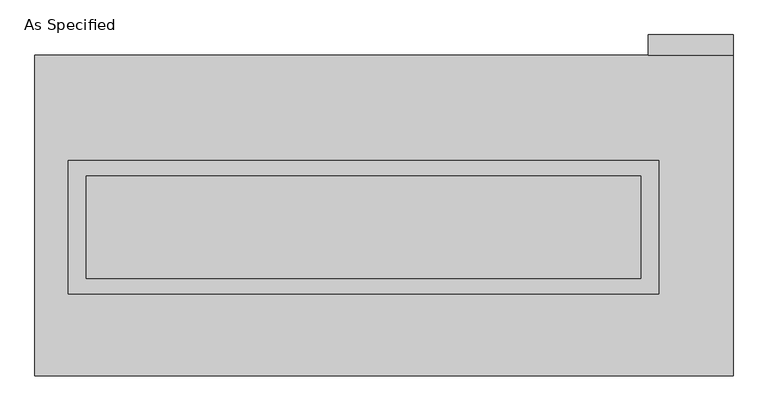
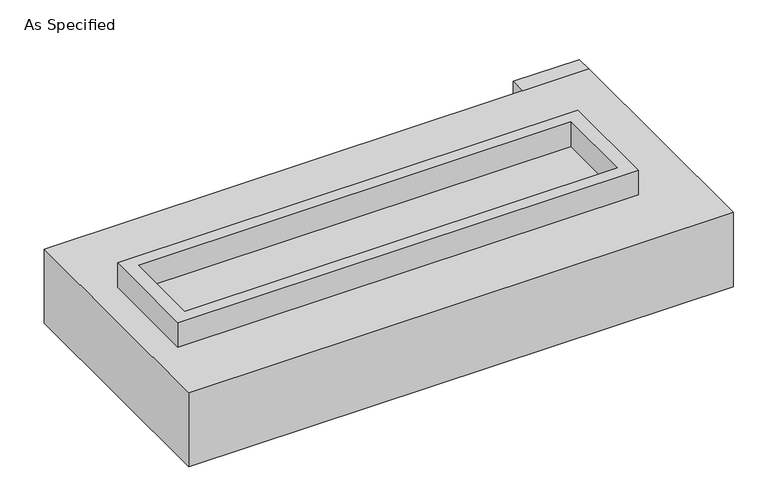
"""IFC4 building model written with IfcOpenShell, lengths in millimetres: proxy geometry, As Specified."""

from ifc_helpers import new_model, si_unit, frame, origin, place, context, project, spatial, polyline, outline, extrude, faceted_brep, source, transform, mapped, element, save


def as_specified_82a8822c(model_context):
    return source(origin(), model_context, "Body", "SolidModel", [
        extrude(outline(polyline([(1460.5, 273.05), (1460.5, -387.35), (-1460.5, -387.35), (-1460.5, 273.05), (1460.5, 273.05)]), holes=[polyline([(1371.6, 196.85), (-1371.6, 196.85), (-1371.6, -311.15), (1371.6, -311.15), (1371.6, 196.85)])]), frame((0.0, 0.0, -25.4), z_axis=(0.0, 0.0, 1.0), x_axis=(1.0, 0.0, 0.0)), (0.0, 0.0, 1.0), 165.1),
        extrude(outline(polyline([(1409.7, 793.75), (1409.7, 895.35), (1828.8, 895.35), (1828.8, 793.75), (1409.7, 793.75)])), frame((0.0, 0.0, -523.875), z_axis=(0.0, 0.0, 1.0), x_axis=(1.0, 0.0, 0.0)), (0.0, 0.0, 1.0), 498.475),
        extrude(outline(polyline([(1371.6, 196.85), (1371.6, -311.15), (-1371.6, -311.15), (-1371.6, 196.85), (1371.6, 196.85)])), frame((0.0, 0.0, -30.3609375), z_axis=(0.0, 0.0, 1.0), x_axis=(1.0, 0.0, 0.0)), (0.0, 0.0, 1.0), 4.9609375),
        faceted_brep([(1828.8, -793.75, -523.875), (-1625.6, -793.75, -523.875), (-1625.6, 793.75, -523.875), (1828.8, 793.75, -523.875), (1828.8, 793.75, -25.4), (-1625.6, 793.75, -25.4), (-1625.6, -793.75, -25.4), (1828.8, -793.75, -25.4), (1460.5, 273.05, -25.4), (1460.5, -387.35, -25.4), (-1460.5, -387.35, -25.4), (-1460.5, 273.05, -25.4), (1460.5, 273.05, -498.475), (-1460.5, 273.05, -498.475), (-1460.5, -387.35, -498.475), (1460.5, -387.35, -498.475)], [[[0, 1, 2, 3]], [[4, 5, 6, 7], [8, 9, 10, 11]], [[3, 2, 5, 4]], [[2, 1, 6, 5]], [[0, 3, 4, 7]], [[12, 13, 14, 15]], [[14, 13, 11, 10]], [[13, 12, 8, 11]], [[12, 15, 9, 8]], [[10, 9, 15, 14]], [[1, 0, 7, 6]]]),
    ])


if __name__ == "__main__":
    model = new_model("IFC4")
    model_context = context("Model", 3, world=origin())
    ifc_project = project(units=[si_unit("LENGTHUNIT", "METRE", prefix="MILLI")], contexts=[model_context])
    site = spatial("IfcSite", under=ifc_project)
    building = spatial("IfcBuilding", under=site)
    placement = place(None, origin())
    as_specified_shape = as_specified_82a8822c(model_context)
    element("IfcBuildingElementProxy", 1, Name="As Specified", ObjectType="As Specified", at=placement, inside=building, context=model_context, shape_type="MappedRepresentation", body=[
        mapped(as_specified_shape, transform((0.0, 0.0, 0.0), x_axis=(1.0, 0.0, 0.0), y_axis=(0.0, 1.0, 0.0), z_axis=(0.0, 0.0, 1.0))),
    ])
    save(model, "model.ifc")
